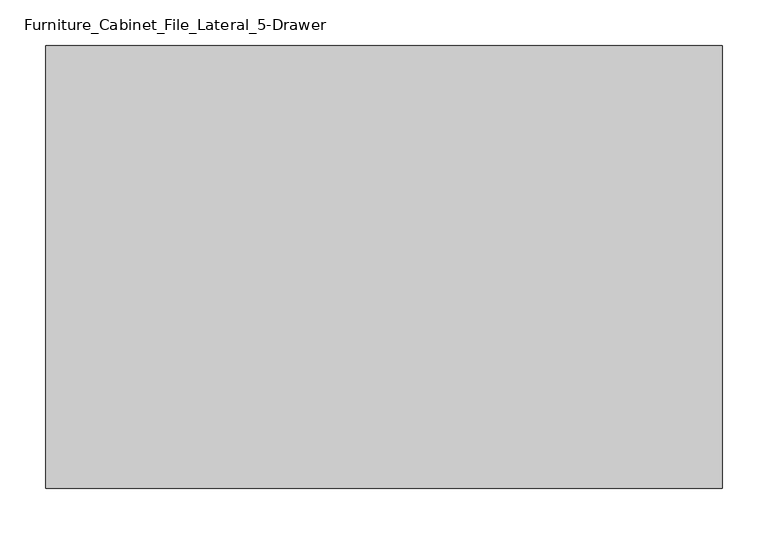
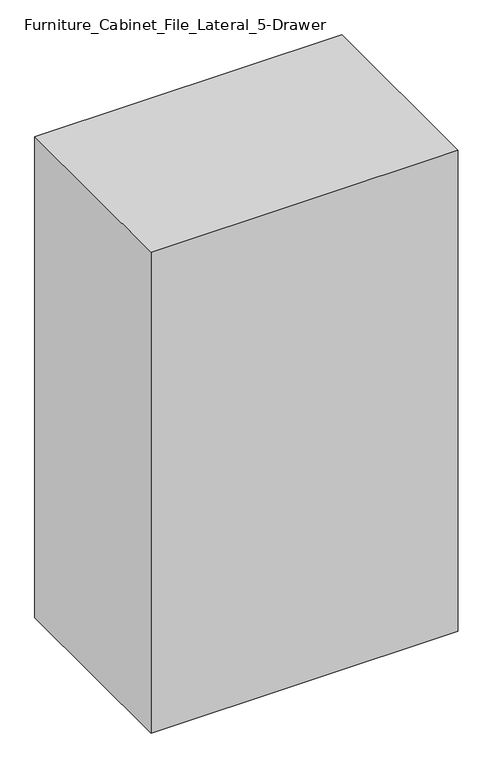
"""IFC4 building model written with IfcOpenShell, lengths in millimetres: furniture geometry, Furniture_Cabinet_File_Lateral_5-Drawer."""

from ifc_helpers import new_model, si_unit, frame, origin, place, context, project, spatial, polyline, outline, extrude, faceted_brep, source, transform, mapped, element, save


def furniture_cabinet_file_lateral_5_drawer_02d41032(model_context):
    return source(origin(), model_context, "Body", "SolidModel", [
        faceted_brep([(188.2774861, 693.0183761, 1219.2), (188.2774861, 1175.6183761, 1219.2), (-548.3225139, 1175.6183761, 1219.2), (-548.3225139, 693.0183761, 1219.2), (188.2774861, 693.0183761, 0.0), (-548.3225139, 693.0183761, 0.0), (-548.3225139, 1175.6183761, 0.0), (188.2774861, 1175.6183761, 0.0), (169.2274861, 1175.6183761, 76.2), (169.2274861, 1175.6183761, 1200.15), (-529.2725139, 1175.6183761, 1200.15), (-529.2725139, 1175.6183761, 76.2), (-529.2725139, 712.0683761, 76.2), (-529.2725139, 712.0683761, 1200.15), (169.2274861, 712.0683761, 1200.15), (169.2274861, 712.0683761, 76.2)], [[[0, 1, 2, 3]], [[4, 5, 6, 7]], [[3, 5, 4, 0]], [[2, 6, 5, 3]], [[1, 7, 6, 2], [8, 9, 10, 11]], [[0, 4, 7, 1]], [[12, 13, 14, 15]], [[15, 8, 11, 12]], [[14, 9, 8, 15]], [[13, 10, 9, 14]], [[12, 11, 10, 13]]]),
        extrude(outline(polyline([(750.57, -529.2725139), (525.78, -529.2725139), (525.78, 169.2274861), (750.57, 169.2274861), (750.57, -529.2725139)]), holes=[polyline([(725.17, -129.2225139), (687.07, -129.2225139), (687.07, -230.8225139), (725.17, -230.8225139), (725.17, -129.2225139)])]), frame((0.0, 1156.5683761, 0.0), z_axis=(0.0, 1.0, 0.0), x_axis=(0.0, 0.0, 1.0)), (0.0, 0.0, 1.0), 19.05),
        extrude(outline(polyline([(975.36, -529.2725139), (750.57, -529.2725139), (750.57, 169.2274861), (975.36, 169.2274861), (975.36, -529.2725139)]), holes=[polyline([(949.96, -129.2225139), (911.86, -129.2225139), (911.86, -230.8225139), (949.96, -230.8225139), (949.96, -129.2225139)])]), frame((0.0, 1156.5683761, 0.0), z_axis=(0.0, 1.0, 0.0), x_axis=(0.0, 0.0, 1.0)), (0.0, 0.0, 1.0), 19.05),
        extrude(outline(polyline([(1200.15, -529.2725139), (975.36, -529.2725139), (975.36, 169.2274861), (1200.15, 169.2274861), (1200.15, -529.2725139)]), holes=[polyline([(1000.76, -129.2225139), (1000.76, -230.8225139), (1038.86, -230.8225139), (1038.86, -129.2225139), (1000.76, -129.2225139)])]), frame((0.0, 1156.5683761, 0.0), z_axis=(0.0, 1.0, 0.0), x_axis=(0.0, 0.0, 1.0)), (0.0, 0.0, 1.0), 19.05),
        extrude(outline(polyline([(300.99, -529.2725139), (300.99, 169.2274861), (525.78, 169.2274861), (525.78, -529.2725139), (300.99, -529.2725139)]), holes=[polyline([(500.38, -129.2225139), (462.28, -129.2225139), (462.28, -230.8225139), (500.38, -230.8225139), (500.38, -129.2225139)])]), frame((0.0, 1156.5683761, 0.0), z_axis=(0.0, 1.0, 0.0), x_axis=(0.0, 0.0, 1.0)), (0.0, 0.0, 1.0), 19.05),
        extrude(outline(polyline([(76.2, -529.2725139), (76.2, 169.2274861), (300.99, 169.2274861), (300.99, -529.2725139), (76.2, -529.2725139)]), holes=[polyline([(275.59, -129.2225139), (237.49, -129.2225139), (237.49, -230.8225139), (275.59, -230.8225139), (275.59, -129.2225139)])]), frame((0.0, 1156.5683761, 0.0), z_axis=(0.0, 1.0, 0.0), x_axis=(0.0, 0.0, 1.0)), (0.0, 0.0, 1.0), 19.05),
    ])


if __name__ == "__main__":
    model = new_model("IFC4")
    model_context = context("Model", 3, world=origin())
    ifc_project = project(units=[si_unit("LENGTHUNIT", "METRE", prefix="MILLI")], contexts=[model_context])
    site = spatial("IfcSite", under=ifc_project)
    building = spatial("IfcBuilding", under=site)
    placement = place(None, origin())
    furniture_cabinet_file_lateral_5_drawer_shape = furniture_cabinet_file_lateral_5_drawer_02d41032(model_context)
    element("IfcFurniture", 1, ObjectType="Furniture_Cabinet_File_Lateral_5-Drawer", at=placement, inside=building, context=model_context, shape_type="MappedRepresentation", body=[
        mapped(furniture_cabinet_file_lateral_5_drawer_shape, transform((0.0, 0.0, 0.0), x_axis=(1.0, 0.0, 0.0), y_axis=(0.0, 1.0, 0.0), z_axis=(0.0, 0.0, 1.0))),
    ])
    save(model, "model.ifc")
